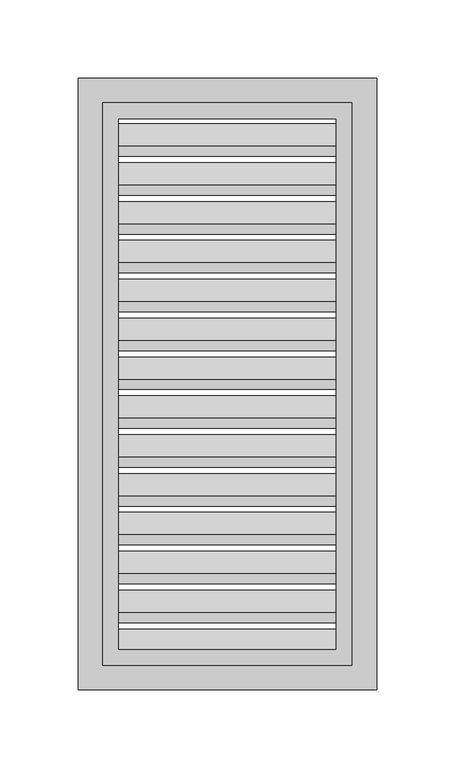
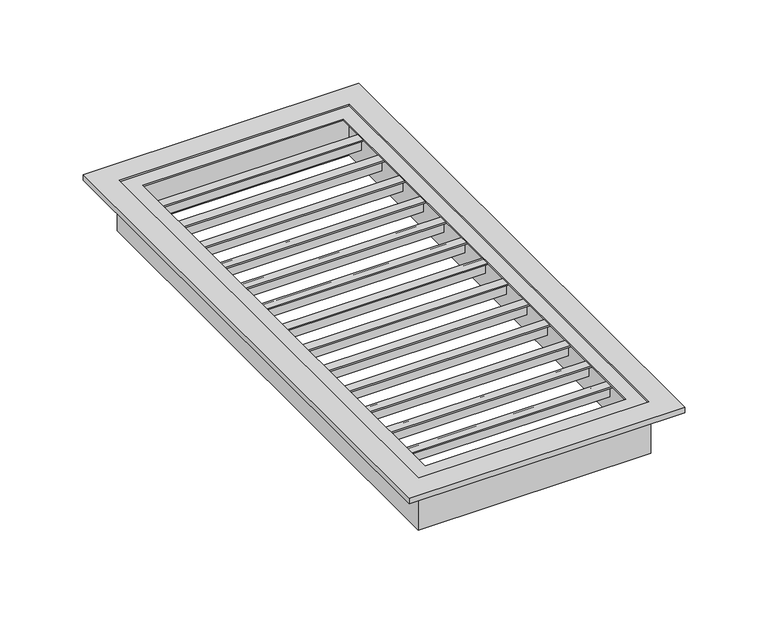
"""IFC4 building model written with IfcOpenShell, lengths in millimetres: proxy geometry."""

from ifc_helpers import new_model, si_unit, frame, origin, origin_with_axes, place, context, project, spatial, polyline, outline, extrude, source, transform, mapped, element, save


def generic_models_5d42a13a(model_context):
    return source(origin(), model_context, "Body", "SweptSolid", [
        extrude(outline(polyline([(-131.6768369, -20.8454091), (-132.6928369, -20.8454091), (-132.6928369, -12.7572504), (-146.4660872, 1.016), (-152.3952461, 1.016), (-152.3952461, 2.032), (-146.0452462, 2.032), (-131.6768369, -12.3364094), (-131.6768369, -20.8454091)])), frame((-79.502, 0.0, 0.0), z_axis=(1.0, 0.0, 0.0), x_axis=(0.0, 1.0, 0.0)), (0.0, 0.0, 1.0), 159.0040001),
        extrude(outline(polyline([(-156.4926361, -12.3364094), (-156.4926361, -20.8454091), (-157.5086361, -20.8454091), (-157.5086361, -12.7572504), (-171.2818865, 1.016), (-177.2110453, 1.016), (-177.2110453, 2.032), (-170.8610455, 2.032), (-156.4926361, -12.3364094)])), frame((-79.502, 0.0, 0.0), z_axis=(1.0, 0.0, 0.0), x_axis=(0.0, 1.0, 0.0)), (0.0, 0.0, 1.0), 159.0040001),
        extrude(outline(polyline([(-106.8610376, -20.8454091), (-107.8770376, -20.8454091), (-107.8770376, -12.7572504), (-121.6502879, 1.016), (-127.5794468, 1.016), (-127.5794468, 2.032), (-121.229447, 2.032), (-106.8610376, -12.3364094), (-106.8610376, -20.8454091)])), frame((-79.502, 0.0, 0.0), z_axis=(1.0, 0.0, 0.0), x_axis=(0.0, 1.0, 0.0)), (0.0, 0.0, 1.0), 159.0040001),
        extrude(outline(polyline([(-82.0452383, -20.8454091), (-83.0612383, -20.8454091), (-83.0612383, -12.7572504), (-96.8344887, 1.016), (-102.7636475, 1.016), (-102.7636475, 2.032), (-96.4136477, 2.032), (-82.0452383, -12.3364094), (-82.0452383, -20.8454091)])), frame((-79.502, 0.0, 0.0), z_axis=(1.0, 0.0, 0.0), x_axis=(0.0, 1.0, 0.0)), (0.0, 0.0, 1.0), 159.0040001),
        extrude(outline(polyline([(-57.229439, -20.8454091), (-58.245439, -20.8454091), (-58.245439, -12.7572504), (-72.0186894, 1.016), (-77.9478482, 1.016), (-77.9478482, 2.032), (-71.5978484, 2.032), (-57.229439, -12.3364094), (-57.229439, -20.8454091)])), frame((-79.502, 0.0, 0.0), z_axis=(1.0, 0.0, 0.0), x_axis=(0.0, 1.0, 0.0)), (0.0, 0.0, 1.0), 159.0040001),
        extrude(outline(polyline([(-32.4136398, -20.8454091), (-33.4296398, -20.8454091), (-33.4296398, -12.7572504), (-47.2028901, 1.016), (-53.132049, 1.016), (-53.132049, 2.032), (-46.7820491, 2.032), (-32.4136398, -12.3364094), (-32.4136398, -20.8454091)])), frame((-79.502, 0.0, 0.0), z_axis=(1.0, 0.0, 0.0), x_axis=(0.0, 1.0, 0.0)), (0.0, 0.0, 1.0), 159.0040001),
        extrude(outline(polyline([(-7.5978405, -20.8454091), (-8.6138405, -20.8454091), (-8.6138405, -12.7572504), (-22.3870908, 1.016), (-28.3162497, 1.016), (-28.3162497, 2.032), (-21.9662499, 2.032), (-7.5978405, -12.3364094), (-7.5978405, -20.8454091)])), frame((-79.502, 0.0, 0.0), z_axis=(1.0, 0.0, 0.0), x_axis=(0.0, 1.0, 0.0)), (0.0, 0.0, 1.0), 159.0040001),
        extrude(outline(polyline([(17.2179588, -20.8454091), (16.2019588, -20.8454091), (16.2019588, -12.7572504), (2.4287084, 1.016), (-3.5004504, 1.016), (-3.5004504, 2.032), (2.8495494, 2.032), (17.2179588, -12.3364094), (17.2179588, -20.8454091)])), frame((-79.502, 0.0, 0.0), z_axis=(1.0, 0.0, 0.0), x_axis=(0.0, 1.0, 0.0)), (0.0, 0.0, 1.0), 159.0040001),
        extrude(outline(polyline([(42.0337581, -20.8454091), (41.0177581, -20.8454091), (41.0177581, -12.7572504), (27.2445077, 1.016), (21.3153489, 1.016), (21.3153489, 2.032), (27.6653487, 2.032), (42.0337581, -12.3364094), (42.0337581, -20.8454091)])), frame((-79.502, 0.0, 0.0), z_axis=(1.0, 0.0, 0.0), x_axis=(0.0, 1.0, 0.0)), (0.0, 0.0, 1.0), 159.0040001),
        extrude(outline(polyline([(66.8495573, -20.8454091), (65.8335573, -20.8454091), (65.8335573, -12.7572504), (52.060307, 1.016), (46.1311481, 1.016), (46.1311481, 2.032), (52.481148, 2.032), (66.8495573, -12.3364094), (66.8495573, -20.8454091)])), frame((-79.502, 0.0, 0.0), z_axis=(1.0, 0.0, 0.0), x_axis=(0.0, 1.0, 0.0)), (0.0, 0.0, 1.0), 159.0040001),
        extrude(outline(polyline([(91.6653566, -20.8454091), (90.6493566, -20.8454091), (90.6493566, -12.7572504), (76.8761063, 1.016), (70.9469474, 1.016), (70.9469474, 2.032), (77.2969472, 2.032), (91.6653566, -12.3364094), (91.6653566, -20.8454091)])), frame((-79.502, 0.0, 0.0), z_axis=(1.0, 0.0, 0.0), x_axis=(0.0, 1.0, 0.0)), (0.0, 0.0, 1.0), 159.0040001),
        extrude(outline(polyline([(116.4811559, -20.8454091), (115.4651559, -20.8454091), (115.4651559, -12.7572504), (101.6919055, 1.016), (95.7627467, 1.016), (95.7627467, 2.032), (102.1127465, 2.032), (116.4811559, -12.3364094), (116.4811559, -20.8454091)])), frame((-79.502, 0.0, 0.0), z_axis=(1.0, 0.0, 0.0), x_axis=(0.0, 1.0, 0.0)), (0.0, 0.0, 1.0), 159.0040001),
        extrude(outline(polyline([(141.2969552, -20.8454091), (140.2809552, -20.8454091), (140.2809552, -12.7572504), (126.5077048, 1.016), (120.578546, 1.016), (120.578546, 2.032), (126.9285458, 2.032), (141.2969552, -12.3364094), (141.2969552, -20.8454091)])), frame((-79.502, 0.0, 0.0), z_axis=(1.0, 0.0, 0.0), x_axis=(0.0, 1.0, 0.0)), (0.0, 0.0, 1.0), 159.0040001),
        extrude(outline(polyline([(166.1127544, -20.8454091), (165.0967544, -20.8454091), (165.0967544, -12.7572504), (151.3235041, 1.016), (145.3943452, 1.016), (145.3943452, 2.032), (151.7443451, 2.032), (166.1127544, -12.3364094), (166.1127544, -20.8454091)])), frame((-79.502, 0.0, 0.0), z_axis=(1.0, 0.0, 0.0), x_axis=(0.0, 1.0, 0.0)), (0.0, 0.0, 1.0), 159.0040001),
        extrude(outline(polyline([(-80.5179779, 180.530496), (80.518, 180.530496), (80.518, -180.5305008), (-80.5179779, -180.5305008), (-80.5179779, 180.530496)]), holes=[polyline([(79.502, 179.514496), (-79.5019779, 179.514496), (-79.5019779, -179.5145008), (79.502, -179.5145008), (79.502, 179.514496)])]), frame((0.0, 0.0, -33.274), z_axis=(0.0, 0.0, 1.0), x_axis=(1.0, 0.0, 0.0)), (0.0, 0.0, 1.0), 33.274),
        extrude(outline(polyline([(-95.2500019, 195.2624976), (95.2499981, 195.2624976), (95.2499981, -195.2625024), (-95.2500019, -195.2625024), (-95.2500019, 195.2624976)]), holes=[polyline([(79.5019965, 179.514496), (-79.5019779, 179.514496), (-79.5019779, -179.5145008), (79.5019965, -179.5145008), (79.5019965, 179.514496)])]), origin_with_axes(), (0.0, 0.0, 1.0), 4.064),
        extrude(outline(polyline([(79.502, 179.514496), (79.502, -179.5145008), (-79.502, -179.5145008), (-79.502, 179.514496), (79.502, 179.514496)]), holes=[polyline([(-69.3420009, 168.9514875), (-69.3420009, -169.3545016), (69.3419972, -169.3545016), (69.3419972, 168.9514875), (-69.3420009, 168.9514875)])]), frame((0.0, 0.0, 2.032), z_axis=(0.0, 0.0, 1.0), x_axis=(1.0, 0.0, 0.0)), (0.0, 0.0, 1.0), 1.016),
    ])


if __name__ == "__main__":
    model = new_model("IFC4")
    model_context = context("Model", 3, world=origin())
    ifc_project = project(units=[si_unit("LENGTHUNIT", "METRE", prefix="MILLI")], contexts=[model_context])
    site = spatial("IfcSite", under=ifc_project)
    building = spatial("IfcBuilding", under=site)
    placement = place(None, origin())
    generic_models_shape = generic_models_5d42a13a(model_context)
    element("IfcBuildingElementProxy", 1, Name="Generic Models", at=placement, inside=building, context=model_context, shape_type="MappedRepresentation", body=[
        mapped(generic_models_shape, transform((0.0, 0.0, 0.0), x_axis=(1.0, 0.0, 0.0), y_axis=(0.0, 1.0, 0.0), z_axis=(0.0, 0.0, 1.0))),
    ])
    save(model, "model.ifc")
